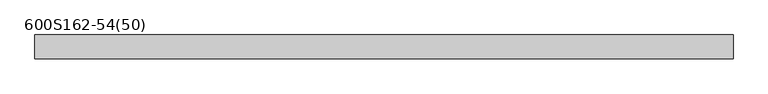
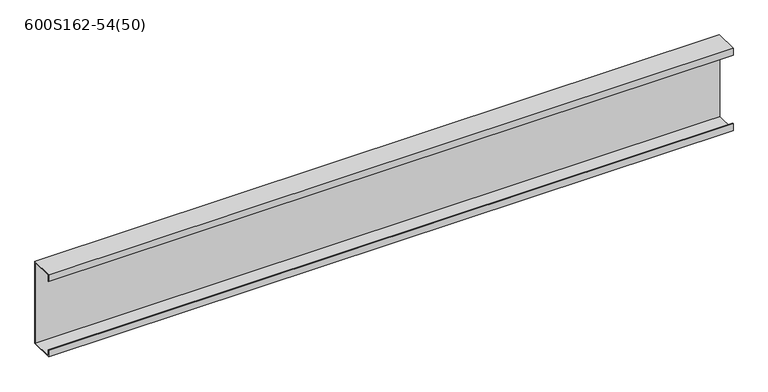
"""IFC4 building model written with IfcOpenShell, lengths in millimetres: member geometry, 600S162-54(50)."""

from ifc_helpers import new_model, si_unit, frame, origin, place, context, project, spatial, polyline, outline, extrude, source, transform, mapped, element, save


def member_600s162_54_50_edc41e7f(model_context):
    return source(origin(), model_context, "Body", "SweptSolid", [
        extrude(outline(polyline([(20.6375, 76.2), (20.6375, -76.2), (-20.6375, -76.2), (-20.6375, -63.5), (-19.2484375, -63.5), (-19.2484375, -74.8109375), (19.2484375, -74.8109375), (19.2484375, 74.8109375), (-19.2484375, 74.8109375), (-19.2484375, 63.5), (-20.6375, 63.5), (-20.6375, 76.2), (20.6375, 76.2)])), frame((-600.0, 0.0, 0.0), z_axis=(1.0, 0.0, 0.0), x_axis=(0.0, 1.0, 0.0)), (0.0, 0.0, 1.0), 1200.0),
    ])


if __name__ == "__main__":
    model = new_model("IFC4")
    model_context = context("Model", 3, world=origin())
    ifc_project = project(units=[si_unit("LENGTHUNIT", "METRE", prefix="MILLI")], contexts=[model_context])
    site = spatial("IfcSite", under=ifc_project)
    building = spatial("IfcBuilding", under=site)
    placement = place(None, origin())
    member_600s162_54_50_shape = member_600s162_54_50_edc41e7f(model_context)
    element("IfcMember", 1, ObjectType="600S162-54(50)", at=placement, inside=building, context=model_context, shape_type="MappedRepresentation", body=[
        mapped(member_600s162_54_50_shape, transform((0.0, 0.0, 0.0), x_axis=(1.0, 0.0, 0.0), y_axis=(0.0, 1.0, 0.0), z_axis=(0.0, 0.0, 1.0))),
    ])
    save(model, "model.ifc")
